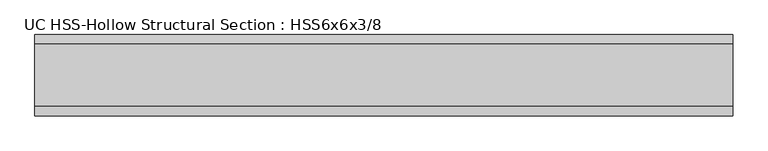
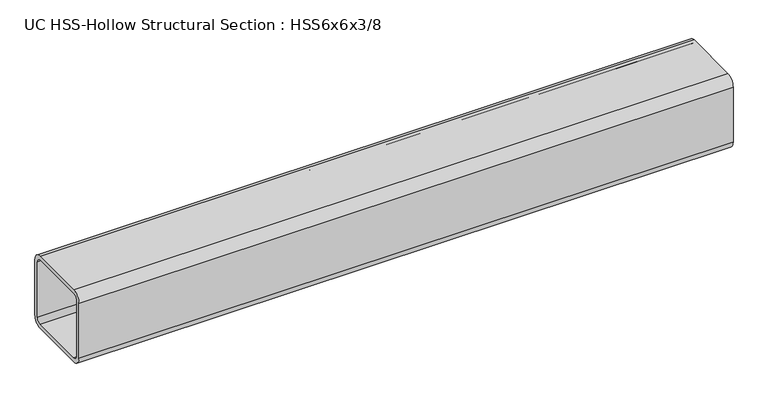
"""IFC4 building model written with IfcOpenShell, lengths in millimetres: beam geometry, UC HSS-Hollow Structural Section : HSS6x6x3/8."""

from ifc_helpers import new_model, si_unit, point, frame, frame_2d, origin, place, context, project, spatial, polyline, circle_curve, trimmed, segment, composite_curve, outline, extrude, source, transform, mapped, element, save


def uc_hss_hollow_structural_section_hss6x6x3_8_a968d0fb(model_context):
    return source(origin(), model_context, "Body", "SweptSolid", [
        extrude(outline(composite_curve([segment(trimmed(circle_curve(frame_2d((-58.4708, 58.4708)), 17.7292), [point((-76.2, 58.4708))], [point((-58.4708, 76.2))], False, "CARTESIAN"), True, "CONTINUOUS"), segment(polyline([(-58.4708, 76.2), (58.4708, 76.2)]), True, "CONTINUOUS"), segment(trimmed(circle_curve(frame_2d((58.4708, 58.4708)), 17.7292), [point((58.4708, 76.2))], [point((76.2, 58.4708))], False, "CARTESIAN"), True, "CONTINUOUS"), segment(polyline([(76.2, 58.4708), (76.2, -58.4708)]), True, "CONTINUOUS"), segment(trimmed(circle_curve(frame_2d((58.4708, -58.4708)), 17.7292), [point((76.2, -58.4708))], [point((58.4708, -76.2))], False, "CARTESIAN"), True, "CONTINUOUS"), segment(polyline([(58.4708, -76.2), (-58.4708, -76.2)]), True, "CONTINUOUS"), segment(trimmed(circle_curve(frame_2d((-58.4708, -58.4708)), 17.7292), [point((-58.4708, -76.2))], [point((-76.2, -58.4708))], False, "CARTESIAN"), True, "CONTINUOUS"), segment(polyline([(-76.2, -58.4708), (-76.2, 58.4708)]), True, "CONTINUOUS")], self_intersect=False), holes=[composite_curve([segment(polyline([(58.4708, 67.3354), (-58.4708, 67.3354)]), True, "CONTINUOUS"), segment(trimmed(circle_curve(frame_2d((-58.4708, 58.4708)), 8.8646), [point((-58.4708, 67.3354))], [point((-67.3354, 58.4708))], True, "CARTESIAN"), True, "CONTINUOUS"), segment(polyline([(-67.3354, 58.4708), (-67.3354, -58.4708)]), True, "CONTINUOUS"), segment(trimmed(circle_curve(frame_2d((-58.4708, -58.4708)), 8.8646), [point((-67.3354, -58.4708))], [point((-58.4708, -67.3354))], True, "CARTESIAN"), True, "CONTINUOUS"), segment(polyline([(-58.4708, -67.3354), (58.4708, -67.3354)]), True, "CONTINUOUS"), segment(trimmed(circle_curve(frame_2d((58.4708, -58.4708)), 8.8646), [point((58.4708, -67.3354))], [point((67.3354, -58.4708))], True, "CARTESIAN"), True, "CONTINUOUS"), segment(polyline([(67.3354, -58.4708), (67.3354, 58.4708)]), True, "CONTINUOUS"), segment(trimmed(circle_curve(frame_2d((58.4708, 58.4708)), 8.8646), [point((67.3354, 58.4708))], [point((58.4708, 67.3354))], True, "CARTESIAN"), True, "CONTINUOUS")], self_intersect=False)]), frame((-736.6, 0.0, 0.0), z_axis=(1.0, 0.0, 0.0), x_axis=(0.0, 1.0, 0.0)), (0.0, 0.0, 1.0), 1308.1),
    ])


if __name__ == "__main__":
    model = new_model("IFC4")
    model_context = context("Model", 3, world=origin())
    ifc_project = project(units=[si_unit("LENGTHUNIT", "METRE", prefix="MILLI")], contexts=[model_context])
    site = spatial("IfcSite", under=ifc_project)
    building = spatial("IfcBuilding", under=site)
    placement = place(None, origin())
    uc_hss_hollow_structural_section_hss6x6x3_8_shape = uc_hss_hollow_structural_section_hss6x6x3_8_a968d0fb(model_context)
    element("IfcBeam", 1, ObjectType="UC HSS-Hollow Structural Section : HSS6x6x3/8", at=placement, inside=building, context=model_context, shape_type="MappedRepresentation", body=[
        mapped(uc_hss_hollow_structural_section_hss6x6x3_8_shape, transform((0.0, 0.0, 0.0), x_axis=(1.0, 0.0, 0.0), y_axis=(0.0, 1.0, 0.0), z_axis=(0.0, 0.0, 1.0))),
    ])
    save(model, "model.ifc")
